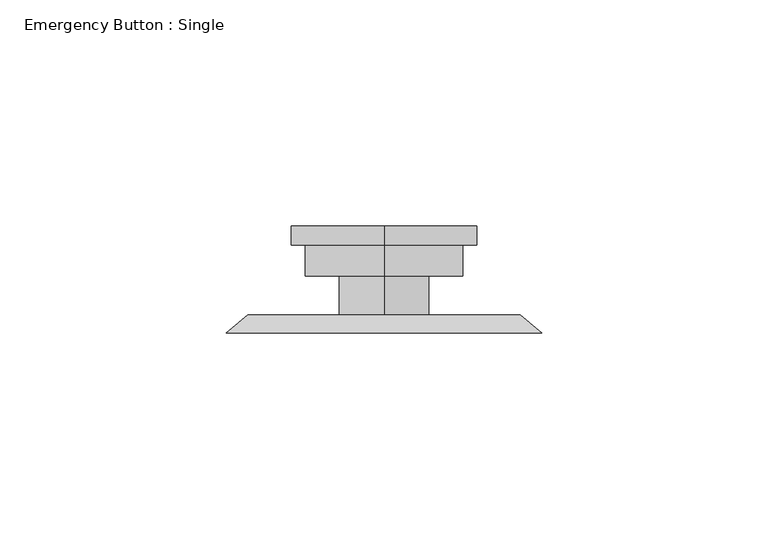
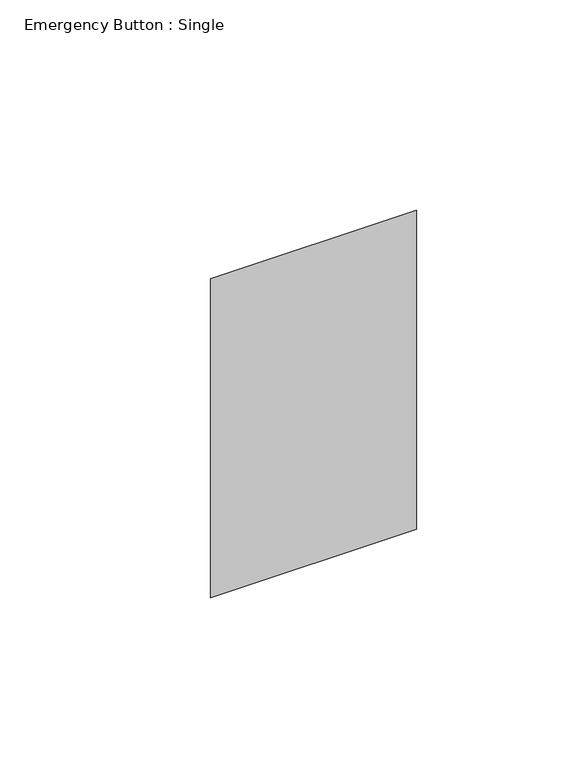
"""IFC4 building model written with IfcOpenShell, lengths in millimetres: proxy geometry, Emergency Button : Single."""

from ifc_helpers import new_model, si_unit, frame, origin, place, context, project, spatial, circle_curve, faceted_brep, source, transform, mapped, element, save
from ifc_brep_helpers import plane_surface, cylinder_surface, advanced_brep


def emergency_button_single_fcb373d9(model_context):
    return source(origin(), model_context, "Body", "SolidModel", [
        faceted_brep([(-30.1625, 67.46875, 357.1875), (30.1625, 67.46875, 357.1875), (30.1625, 67.46875, 252.4125), (-30.1625, 67.46875, 252.4125), (-34.925, 63.5, 361.95), (-34.925, 63.5, 247.65), (34.925, 63.5, 247.65), (34.925, 63.5, 361.95)], [[[0, 1, 2, 3]], [[4, 5, 6, 7]], [[4, 7, 1, 0]], [[7, 6, 2, 1]], [[6, 5, 3, 2]], [[5, 4, 0, 3]]]),
        advanced_brep(
        [(0.0, 76.0897627, 304.8), (0.0, 76.0897627, 322.2625), (0.0, 76.0897627, 287.3375), (0.0, 87.2121019, 284.1539378), (0.0, 87.2121019, 325.4460622), (0.0, 87.2121019, 304.8), (0.0, 83.0022432, 284.1539378), (0.0, 83.0022432, 325.4460622), (0.0, 83.0022432, 287.3375), (0.0, 83.0022432, 322.2625)],
        [
            (0, 1),
            (1, 2, circle_curve(frame((0.0, 76.0897627, 304.8), z_axis=(0.0, -1.0, 0.0), x_axis=(0.0, 0.0, 1.0)), 17.4625)),
            (2, 0),
            (2, 1, circle_curve(frame((0.0, 76.0897627, 304.8), z_axis=(0.0, -1.0, 0.0), x_axis=(0.0, 0.0, 1.0)), 17.4625)),
            (3, 4, circle_curve(frame((0.0, 87.2121019, 304.8), z_axis=(0.0, 1.0, 0.0), x_axis=(0.0, 0.0, 1.0)), 20.6460622)),
            (4, 5),
            (5, 3),
            (4, 3, circle_curve(frame((0.0, 87.2121019, 304.8), z_axis=(0.0, 1.0, 0.0), x_axis=(0.0, 0.0, 1.0)), 20.6460622)),
            (6, 7, circle_curve(frame((0.0, 83.0022432, 304.8), z_axis=(0.0, 1.0, 0.0), x_axis=(0.0, 0.0, 1.0)), 20.6460622)),
            (7, 4),
            (3, 6),
            (7, 6, circle_curve(frame((0.0, 83.0022432, 304.8), z_axis=(0.0, 1.0, 0.0), x_axis=(0.0, 0.0, 1.0)), 20.6460622)),
            (8, 9, circle_curve(frame((0.0, 83.0022432, 304.8), z_axis=(0.0, 1.0, 0.0), x_axis=(0.0, 0.0, 1.0)), 17.4625)),
            (9, 7),
            (6, 8),
            (9, 8, circle_curve(frame((0.0, 83.0022432, 304.8), z_axis=(0.0, 1.0, 0.0), x_axis=(0.0, 0.0, 1.0)), 17.4625)),
            (1, 9),
            (8, 2),
        ],
        [
            plane_surface(frame((0.0, 76.0897627, 304.8), z_axis=(0.0, -1.0, 0.0), x_axis=(0.0, 0.0, 1.0))),
            plane_surface(frame((0.0, 87.2121019, 304.8), z_axis=(0.0, 1.0, 0.0), x_axis=(0.0, 0.0, 1.0))),
            cylinder_surface(frame((0.0, 109.934375, 304.8), z_axis=(0.0, -1.0, 0.0), x_axis=(0.0, 0.0, 1.0)), 20.6460622),
            plane_surface(frame((0.0, 83.0022432, 304.8), z_axis=(0.0, -1.0, 0.0), x_axis=(0.0, 0.0, 1.0))),
            cylinder_surface(frame((0.0, 109.934375, 304.8), z_axis=(0.0, -1.0, 0.0), x_axis=(0.0, 0.0, 1.0)), 17.4625),
        ],
        [
            (0, [[1, 2, 3]]),
            (0, [[-3, 4, -1]]),
            (1, [[5, 6, 7]]),
            (1, [[8, -7, -6]]),
            (2, [[9, 10, -5, 11]]),
            (2, [[12, -11, -8, -10]]),
            (3, [[13, 14, -9, 15]]),
            (3, [[16, -15, -12, -14]]),
            (4, [[-2, 17, -13, 18]]),
            (4, [[-4, -18, -16, -17]]),
        ],
    ),
        advanced_brep(
        [(0.0, 67.46875, 294.878125), (0.0, 67.46875, 314.721875), (0.0, 76.0897627, 314.721875), (0.0, 76.0897627, 294.878125), (0.0, 67.46875, 304.8), (0.0, 76.0897627, 304.8)],
        [
            (0, 1, circle_curve(frame((0.0, 67.46875, 304.8), z_axis=(0.0, 1.0, 0.0), x_axis=(0.0, 0.0, 1.0)), 9.921875)),
            (1, 2),
            (2, 3, circle_curve(frame((0.0, 76.0897627, 304.8), z_axis=(0.0, -1.0, 0.0), x_axis=(0.0, 0.0, 1.0)), 9.921875)),
            (3, 0),
            (1, 0, circle_curve(frame((0.0, 67.46875, 304.8), z_axis=(0.0, 1.0, 0.0), x_axis=(0.0, 0.0, 1.0)), 9.921875)),
            (3, 2, circle_curve(frame((0.0, 76.0897627, 304.8), z_axis=(0.0, -1.0, 0.0), x_axis=(0.0, 0.0, 1.0)), 9.921875)),
            (4, 1),
            (0, 4),
            (2, 5),
            (5, 3),
        ],
        [
            cylinder_surface(frame((0.0, 109.934375, 304.8), z_axis=(0.0, -1.0, 0.0), x_axis=(0.0, 0.0, 1.0)), 9.921875),
            plane_surface(frame((0.0, 67.46875, 304.8), z_axis=(0.0, -1.0, 0.0), x_axis=(0.0, 0.0, 1.0))),
            plane_surface(frame((0.0, 76.0897627, 304.8), z_axis=(0.0, 1.0, 0.0), x_axis=(0.0, 0.0, 1.0))),
        ],
        [
            (0, [[1, 2, 3, 4]]),
            (0, [[5, -4, 6, -2]]),
            (1, [[7, -1, 8]]),
            (1, [[-8, -5, -7]]),
            (2, [[-3, 9, 10]]),
            (2, [[-6, -10, -9]]),
        ],
    ),
    ])


if __name__ == "__main__":
    model = new_model("IFC4")
    model_context = context("Model", 3, world=origin())
    ifc_project = project(units=[si_unit("LENGTHUNIT", "METRE", prefix="MILLI")], contexts=[model_context])
    site = spatial("IfcSite", under=ifc_project)
    building = spatial("IfcBuilding", under=site)
    placement = place(None, origin())
    emergency_button_single_shape = emergency_button_single_fcb373d9(model_context)
    element("IfcBuildingElementProxy", 1, Name="Emergency Button : Single", ObjectType="Emergency Button : Single", at=placement, inside=building, context=model_context, shape_type="MappedRepresentation", body=[
        mapped(emergency_button_single_shape, transform((0.0, 0.0, 0.0), x_axis=(1.0, 0.0, 0.0), y_axis=(0.0, 1.0, 0.0), z_axis=(0.0, 0.0, 1.0))),
    ])
    save(model, "model.ifc")
